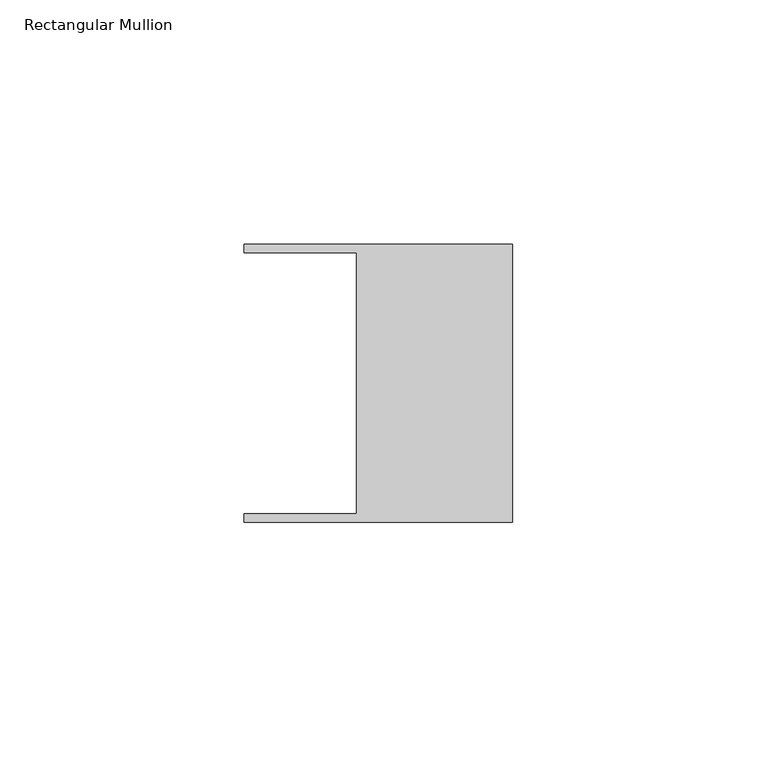
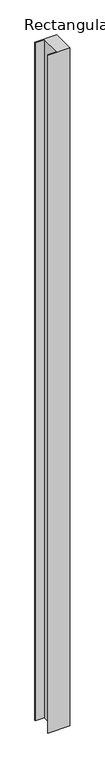
"""IFC4 building model written with IfcOpenShell, lengths in millimetres: member geometry, Rectangular Mullion."""

from ifc_helpers import new_model, si_unit, frame, origin, place, context, project, spatial, polyline, outline, extrude, source, transform, mapped, element, save


def rectangular_mullion_f2c7a5b8(model_context):
    return source(origin(), model_context, "Body", "SweptSolid", [
        extrude(outline(polyline([(-32.004, -26.67), (-32.004, 26.67), (-54.991, 26.67), (-54.991, 28.448), (0.0, 28.448), (0.0, -28.448), (-54.991, -28.448), (-54.991, -26.67), (-32.004, -26.67)])), frame((0.0, 0.0, -1809.7493308), z_axis=(0.0, 0.0, 1.0), x_axis=(1.0, 0.0, 0.0)), (0.0, 0.0, 1.0), 1809.7493308),
    ])


if __name__ == "__main__":
    model = new_model("IFC4")
    model_context = context("Model", 3, world=origin())
    ifc_project = project(units=[si_unit("LENGTHUNIT", "METRE", prefix="MILLI")], contexts=[model_context])
    site = spatial("IfcSite", under=ifc_project)
    building = spatial("IfcBuilding", under=site)
    placement = place(None, origin())
    rectangular_mullion_shape = rectangular_mullion_f2c7a5b8(model_context)
    element("IfcMember", 1, ObjectType="Rectangular Mullion", at=placement, inside=building, context=model_context, shape_type="MappedRepresentation", body=[
        mapped(rectangular_mullion_shape, transform((0.0, 0.0, 0.0), x_axis=(1.0, 0.0, 0.0), y_axis=(0.0, 1.0, 0.0), z_axis=(0.0, 0.0, 1.0))),
    ])
    save(model, "model.ifc")
